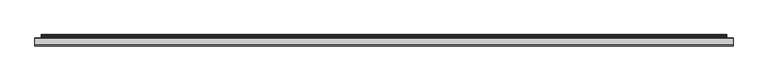
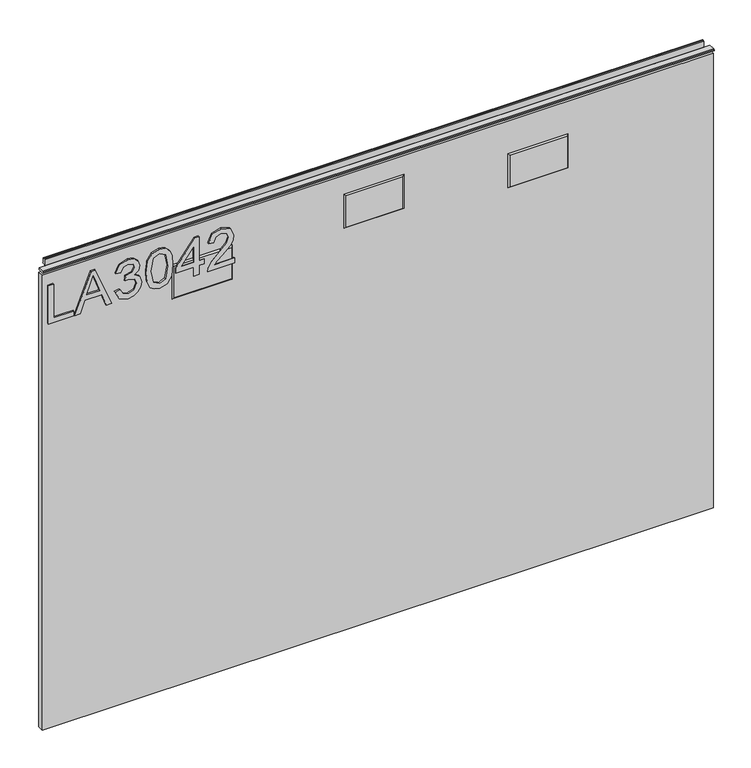
"""IFC4 building model written with IfcOpenShell, lengths in millimetres: furniture geometry."""

from ifc_helpers import new_model, si_unit, frame, origin, place, context, project, spatial, polyline, outline, extrude, faceted_brep, source, transform, mapped, element, save


def furniture_f2bbe639(model_context):
    return source(origin(), model_context, "Body", "SolidModel", [
        extrude(outline(polyline([(773.6078, -289.7737583), (773.6078, -249.9051602), (781.5815196, -249.9051602), (781.5815196, -281.8000387), (837.3975569, -281.8000387), (837.3975569, -289.7737583), (773.6078, -289.7737583)])), frame((0.0, -5.5283158, 0.0), z_axis=(0.0, 1.0, 0.0), x_axis=(0.0, 0.0, 1.0)), (0.0, 0.0, 1.0), 2.38125),
        extrude(outline(polyline([(773.6078, -248.3633668), (773.6078, -239.9380107), (793.542099, -232.6495326), (793.542099, -206.3767494), (773.6078, -199.0726976), (773.6078, -190.6473416), (837.3975569, -216.1102938), (837.3975569, -222.9004145), (773.6078, -248.3633668)]), holes=[polyline([(801.5158187, -229.7216824), (818.5689885, -223.4766403), (829.4238373, -219.5053542), (817.1985055, -215.0357105), (801.5158187, -209.2890259), (801.5158187, -229.7216824)])]), frame((0.0, -5.5283158, 0.0), z_axis=(0.0, 1.0, 0.0), x_axis=(0.0, 0.0, 1.0)), (0.0, 0.0, 1.0), 2.38125),
        extrude(outline(polyline([(790.5519542, -185.1186883), (777.6102335, -178.7802041), (772.611085, -164.7950475), (774.0750101, -156.272356), (778.4667854, -149.3615394), (784.9610063, -144.7828801), (792.7322681, -143.2566603), (803.1043331, -146.3090998), (808.555118, -154.9992083), (813.8345925, -148.4582665), (821.1853653, -146.2468052), (829.2291664, -148.575069), (835.2094562, -155.3028949), (837.3975569, -164.9196368), (832.9590607, -177.5966051), (820.4534028, -184.1219733), (819.4566878, -176.1482537), (826.9320499, -172.2392623), (829.4238373, -164.6393108), (826.9554105, -157.1328013), (820.7181552, -154.2205248), (813.6788558, -158.2385319), (811.4829682, -168.5638759), (803.5092486, -169.4515751), (804.3813742, -163.8606272), (801.11869, -154.7967506), (792.8724312, -151.2303799), (784.120028, -154.827898), (780.5848047, -164.5147214), (783.1544604, -172.7454066), (791.5486691, -177.1449687), (790.5519542, -185.1186883)])), frame((0.0, -5.5283158, 0.0), z_axis=(0.0, 1.0, 0.0), x_axis=(0.0, 0.0, 1.0)), (0.0, 0.0, 1.0), 2.38125),
        extrude(outline(polyline([(804.9887473, -136.2796556), (789.4734775, -134.6911412), (778.6848168, -129.9255978), (774.129518, -123.6338347), (772.611085, -115.3486416), (776.1073742, -103.6761751), (786.7130443, -96.7381046), (804.9887473, -94.4176276), (819.9784058, -95.8659791), (829.4160505, -99.6036601), (835.3418324, -106.0355863), (837.3975569, -115.3486416), (833.9246283, -126.9743871), (823.3423188, -133.9358181), (804.9887473, -136.2796556)]), holes=[polyline([(805.004321, -128.305936), (825.1566514, -124.4436656), (829.4238373, -115.4420837), (824.5804256, -106.004439), (805.004321, -102.3913473), (785.2179718, -106.1290283), (780.5848047, -115.3486416), (785.2023982, -124.5682549), (805.004321, -128.305936)])]), frame((0.0, -5.5283158, 0.0), z_axis=(0.0, 1.0, 0.0), x_axis=(0.0, 0.0, 1.0)), (0.0, 0.0, 1.0), 2.38125),
        extrude(outline(polyline([(773.6078, -61.5260342), (773.6078, -53.5523146), (788.5585243, -53.5523146), (788.5585243, -45.578595), (796.5322439, -45.578595), (796.5322439, -53.5523146), (836.400842, -53.5523146), (836.400842, -59.5326043), (796.5322439, -90.4307678), (788.5585243, -90.4307678), (788.5585243, -61.5260342), (773.6078, -61.5260342)]), holes=[polyline([(796.5322439, -61.5260342), (796.5322439, -80.619355), (821.1697916, -61.5260342), (796.5322439, -61.5260342)])]), frame((0.0, -5.5283158, 0.0), z_axis=(0.0, 1.0, 0.0), x_axis=(0.0, 0.0, 1.0)), (0.0, 0.0, 1.0), 2.38125),
        extrude(outline(polyline([(781.5815196, 2.2637227), (781.5815196, -29.0549299), (785.6384609, -25.4574119), (793.308494, -16.2845196), (804.2334243, -4.8612318), (812.0514072, -0.1501963), (819.6124245, 1.2670078), (832.2893928, -3.9891062), (837.3975569, -18.2623758), (832.803324, -32.4889244), (819.4566878, -38.6015903), (818.4599729, -30.6278707), (826.5115608, -27.2717446), (829.4238373, -18.4336862), (826.4414793, -9.9538223), (819.1296407, -6.7067118), (810.0969115, -10.1484932), (796.81257, -23.9156184), (787.5695962, -33.8983416), (779.1053059, -38.7417534), (773.6078, -39.5983053), (773.6078, 2.2637227), (781.5815196, 2.2637227)])), frame((0.0, -5.5283158, 0.0), z_axis=(0.0, 1.0, 0.0), x_axis=(0.0, 0.0, 1.0)), (0.0, 0.0, 1.0), 2.38125),
        faceted_brep([(525.110075, -5.2069939, 800.173422), (435.416325, -5.2069939, 800.173422), (435.416325, -5.2069939, 748.0835783), (525.110075, -5.2069939, 748.0835783), (527.3921062, -3.1749939, 802.4554533), (527.3921062, -3.1749939, 745.801547), (433.1342937, -3.1749939, 745.801547), (433.1342937, -3.1749939, 802.4554533)], [[[0, 1, 2, 3]], [[4, 5, 6, 7]], [[4, 7, 1, 0]], [[7, 6, 2, 1]], [[6, 5, 3, 2]], [[5, 4, 0, 3]]]),
        faceted_brep([(267.462, -5.2069939, 823.214), (177.8, -5.2069939, 823.214), (177.8, -5.2069939, 771.144), (267.462, -5.2069939, 771.144), (269.748, -3.1749939, 825.5), (269.748, -3.1749939, 768.858), (175.514, -3.1749939, 768.858), (175.514, -3.1749939, 825.5)], [[[0, 1, 2, 3]], [[4, 5, 6, 7]], [[4, 7, 1, 0]], [[7, 6, 2, 1]], [[6, 5, 3, 2]], [[5, 4, 0, 3]]]),
        faceted_brep([(-2.422525, -5.2069939, 800.173422), (-92.116275, -5.2069939, 800.173422), (-92.116275, -5.2069939, 748.0835783), (-2.422525, -5.2069939, 748.0835783), (-0.1404938, -3.1749939, 802.4554533), (-0.1404938, -3.1749939, 745.801547), (-94.3983063, -3.1749939, 745.801547), (-94.3983063, -3.1749939, 802.4554533)], [[[0, 1, 2, 3]], [[4, 5, 6, 7]], [[4, 7, 1, 0]], [[7, 6, 2, 1]], [[6, 5, 3, 2]], [[5, 4, 0, 3]]]),
        extrude(outline(polyline([(-298.196, 6.3500061), (755.396, 6.3500061), (755.396, -3.1749939), (-298.196, -3.1749939), (-298.196, 6.3500061)])), frame((0.0, 0.0, 101.6), z_axis=(0.0, 0.0, 1.0), x_axis=(1.0, 0.0, 0.0)), (0.0, 0.0, 1.0), 754.5578),
        extrude(outline(polyline([(5.5562561, 863.6), (5.5562561, 860.4249996), (-3.975094, 860.4249996), (-5.3492339, 861.2183657), (-5.3492339, 862.8066395), (-3.9751037, 863.6), (5.5562561, 863.6)])), frame((-298.196, 0.0, 0.0), z_axis=(1.0, 0.0, 0.0), x_axis=(0.0, 1.0, 0.0)), (0.0, 0.0, 1.0), 1053.592),
        extrude(outline(polyline([(5.5562561, 863.6), (6.3500061, 863.6), (6.3500061, 873.47425), (7.1437561, 874.268), (8.6677569, 874.268), (10.0084363, 873.8506926), (10.875413, 872.7461816), (10.9623604, 871.3447591), (10.2390011, 868.3863459), (10.4046103, 867.1833307), (11.6746103, 864.9836103), (10.7786383, 864.4663244), (7.1437561, 864.4663244), (7.1437561, 863.6), (6.3500061, 863.3669239), (6.3500061, 856.1578), (5.5562561, 856.1578), (5.5562561, 863.6)])), frame((-288.671, 0.0, 0.0), z_axis=(1.0, 0.0, 0.0), x_axis=(0.0, 1.0, 0.0)), (0.0, 0.0, 1.0), 1034.542),
    ])


if __name__ == "__main__":
    model = new_model("IFC4")
    model_context = context("Model", 3, world=origin())
    ifc_project = project(units=[si_unit("LENGTHUNIT", "METRE", prefix="MILLI")], contexts=[model_context])
    site = spatial("IfcSite", under=ifc_project)
    building = spatial("IfcBuilding", under=site)
    placement = place(None, origin())
    furniture_shape = furniture_f2bbe639(model_context)
    element("IfcFurniture", 1, at=placement, inside=building, context=model_context, shape_type="MappedRepresentation", body=[
        mapped(furniture_shape, transform((0.0, 0.0, 0.0), x_axis=(1.0, 0.0, 0.0), y_axis=(0.0, 1.0, 0.0), z_axis=(0.0, 0.0, 1.0))),
    ])
    save(model, "model.ifc")
